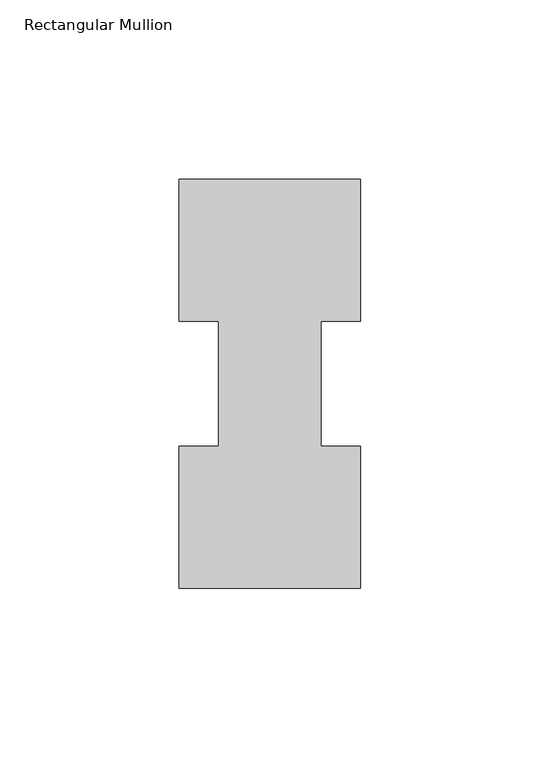
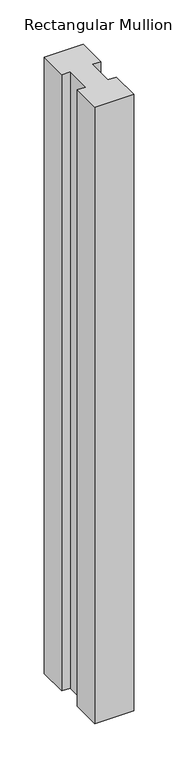
"""IFC4 building model written with IfcOpenShell, lengths in millimetres: member geometry, Rectangular Mullion."""

from ifc_helpers import new_model, si_unit, frame, origin, place, context, project, spatial, polyline, outline, extrude, source, transform, mapped, element, save


def rectangular_mullion_8e530278(model_context):
    return source(origin(), model_context, "Body", "SweptSolid", [
        extrude(outline(polyline([(25.4, 114.271425), (25.4, 74.596625), (14.2875, 74.596625), (14.2875, 39.646225), (25.4, 39.646225), (25.4, -0.028575), (-25.4, -0.028575), (-25.4, 39.646225), (-14.2875, 39.646225), (-14.2875, 74.596625), (-25.4, 74.596625), (-25.4, 114.271425), (25.4, 114.271425)])), frame((0.0, 0.0, -850.9), z_axis=(0.0, 0.0, 1.0), x_axis=(1.0, 0.0, 0.0)), (0.0, 0.0, 1.0), 850.9),
    ])


if __name__ == "__main__":
    model = new_model("IFC4")
    model_context = context("Model", 3, world=origin())
    ifc_project = project(units=[si_unit("LENGTHUNIT", "METRE", prefix="MILLI")], contexts=[model_context])
    site = spatial("IfcSite", under=ifc_project)
    building = spatial("IfcBuilding", under=site)
    placement = place(None, origin())
    rectangular_mullion_shape = rectangular_mullion_8e530278(model_context)
    element("IfcMember", 1, ObjectType="Rectangular Mullion", at=placement, inside=building, context=model_context, shape_type="MappedRepresentation", body=[
        mapped(rectangular_mullion_shape, transform((0.0, 0.0, 0.0), x_axis=(1.0, 0.0, 0.0), y_axis=(0.0, 1.0, 0.0), z_axis=(0.0, 0.0, 1.0))),
    ])
    save(model, "model.ifc")
